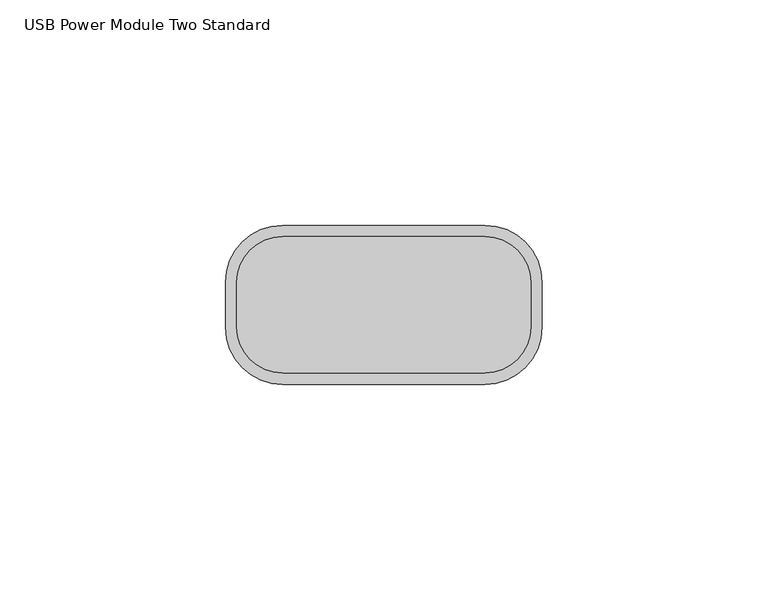
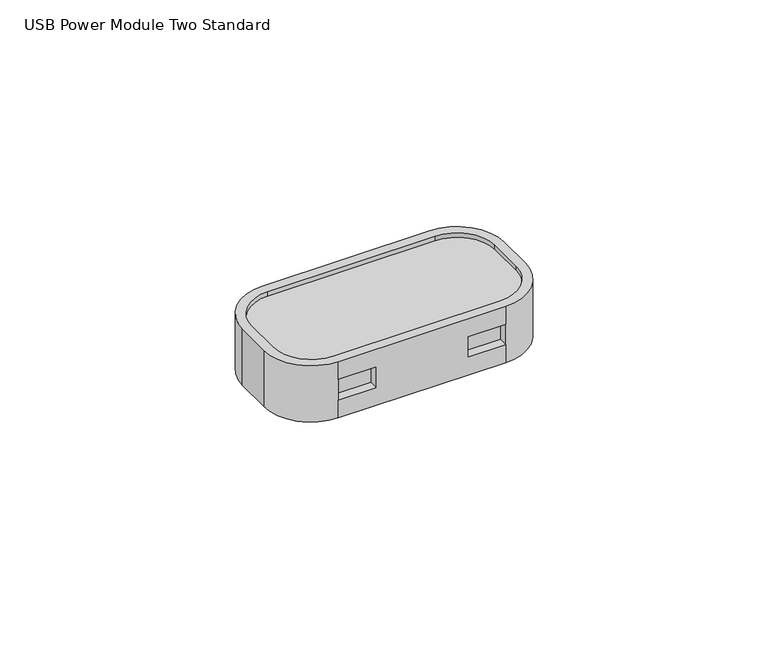
"""IFC4 building model written with IfcOpenShell, lengths in millimetres: furniture geometry, USB Power Module Two Standard."""

from ifc_helpers import new_model, si_unit, frame, origin, place, context, project, spatial, polyline, circle_curve, source, transform, mapped, element, save
from ifc_brep_helpers import plane_surface, cylinder_surface, revolved_surface, advanced_brep


def usb_power_module_two_standard_5229657c(model_context):
    return source(origin(), model_context, "Body", "AdvancedBrep", [
        advanced_brep(
        [(12.7, -35.2806, 752.602), (57.5818, -35.2806, 752.602), (70.2818, -22.5806, 752.602), (70.2818, -12.7, 752.602), (57.5818, 0.0, 752.602), (12.7, 0.0, 752.602), (0.0, -12.7, 752.602), (0.0, -22.5806, 752.602), (2.54, -22.5806, 752.602), (2.54, -12.7, 752.602), (12.7, -2.54, 752.602), (57.5818, -2.54, 752.602), (67.7418, -12.7, 752.602), (67.7418, -22.5806, 752.602), (57.5818, -32.7406, 752.602), (12.7, -32.7406, 752.602), (0.0, -22.5806, 736.6), (0.0, -12.7, 736.6), (12.7, 0.0, 736.6), (57.5818, 0.0, 736.6), (70.2818, -12.7, 736.6), (70.2818, -22.5806, 736.6), (57.5818, -35.2806, 736.6), (12.7, -35.2806, 736.6), (30.0609, 0.0, 744.601), (40.2209, 0.0, 744.601), (12.7, -35.2806, 747.522), (22.86, -35.2806, 747.522), (22.86, -35.2806, 741.68), (12.7, -35.2806, 741.68), (57.5818, -35.2806, 741.68), (47.4218, -35.2806, 741.68), (47.4218, -35.2806, 747.522), (57.5818, -35.2806, 747.522), (2.54, -12.7, 751.332), (2.54, -22.5806, 751.332), (12.7, -32.7406, 751.332), (57.5818, -32.7406, 751.332), (67.7418, -22.5806, 751.332), (67.7418, -12.7, 751.332), (57.5818, -2.54, 751.332), (12.7, -2.54, 751.332), (22.86, -32.7406, 747.522), (12.7, -32.7406, 747.522), (12.7, -32.7406, 741.68), (22.86, -32.7406, 741.68), (57.5818, -32.7406, 747.522), (47.4218, -32.7406, 747.522), (47.4218, -32.7406, 741.68), (57.5818, -32.7406, 741.68), (30.0609, -7.0608167, 744.601), (40.2209, -7.0608167, 744.601)],
        [
            (0, 1),
            (1, 2, circle_curve(frame((57.5818, -22.5806, 752.602), z_axis=(0.0, 0.0, 1.0), x_axis=(1.0, 0.0, 0.0)), 12.7)),
            (2, 3),
            (3, 4, circle_curve(frame((57.5818, -12.7, 752.602), z_axis=(0.0, 0.0, 1.0), x_axis=(1.0, 0.0, 0.0)), 12.7)),
            (4, 5),
            (5, 6, circle_curve(frame((12.7, -12.7, 752.602), z_axis=(0.0, 0.0, 1.0), x_axis=(1.0, 0.0, 0.0)), 12.7)),
            (6, 7),
            (7, 0, circle_curve(frame((12.7, -22.5806, 752.602), z_axis=(0.0, 0.0, 1.0), x_axis=(1.0, 0.0, 0.0)), 12.7)),
            (8, 9),
            (9, 10, circle_curve(frame((12.7, -12.7, 752.602), z_axis=(0.0, 0.0, -1.0), x_axis=(1.0, 0.0, 0.0)), 10.16)),
            (10, 11),
            (11, 12, circle_curve(frame((57.5818, -12.7, 752.602), z_axis=(0.0, 0.0, -1.0), x_axis=(1.0, 0.0, 0.0)), 10.16)),
            (12, 13),
            (13, 14, circle_curve(frame((57.5818, -22.5806, 752.602), z_axis=(0.0, 0.0, -1.0), x_axis=(1.0, 0.0, 0.0)), 10.16)),
            (14, 15),
            (15, 8, circle_curve(frame((12.7, -22.5806, 752.602), z_axis=(0.0, 0.0, -1.0), x_axis=(1.0, 0.0, 0.0)), 10.16)),
            (16, 17),
            (17, 18, circle_curve(frame((12.7, -12.7, 736.6), z_axis=(0.0, 0.0, -1.0), x_axis=(1.0, 0.0, 0.0)), 12.7)),
            (18, 19),
            (19, 20, circle_curve(frame((57.5818, -12.7, 736.6), z_axis=(0.0, 0.0, -1.0), x_axis=(1.0, 0.0, 0.0)), 12.7)),
            (20, 21),
            (21, 22, circle_curve(frame((57.5818, -22.5806, 736.6), z_axis=(0.0, 0.0, -1.0), x_axis=(1.0, 0.0, 0.0)), 12.7)),
            (22, 23),
            (23, 16, circle_curve(frame((12.7, -22.5806, 736.6), z_axis=(0.0, 0.0, -1.0), x_axis=(1.0, 0.0, 0.0)), 12.7)),
            (6, 17),
            (16, 7),
            (4, 19),
            (18, 5),
            (24, 25, circle_curve(frame((35.1409, 0.0, 744.601), z_axis=(0.0, -1.0, 0.0), x_axis=(1.0, 0.0, 0.0)), 5.08)),
            (25, 24, circle_curve(frame((35.1409, 0.0, 744.601), z_axis=(0.0, -1.0, 0.0), x_axis=(1.0, 0.0, 0.0)), 5.08)),
            (2, 21),
            (20, 3),
            (0, 26),
            (26, 27),
            (27, 28),
            (28, 29),
            (29, 23),
            (22, 30),
            (30, 31),
            (31, 32),
            (32, 33),
            (33, 1),
            (33, 30),
            (29, 26),
            (34, 35),
            (35, 36, circle_curve(frame((12.7, -22.5806, 751.332), z_axis=(0.0, 0.0, 1.0), x_axis=(1.0, 0.0, 0.0)), 10.16)),
            (36, 37),
            (37, 38, circle_curve(frame((57.5818, -22.5806, 751.332), z_axis=(0.0, 0.0, 1.0), x_axis=(1.0, 0.0, 0.0)), 10.16)),
            (38, 39),
            (39, 40, circle_curve(frame((57.5818, -12.7, 751.332), z_axis=(0.0, 0.0, 1.0), x_axis=(1.0, 0.0, 0.0)), 10.16)),
            (40, 41),
            (41, 34, circle_curve(frame((12.7, -12.7, 751.332), z_axis=(0.0, 0.0, 1.0), x_axis=(1.0, 0.0, 0.0)), 10.16)),
            (34, 9),
            (8, 35),
            (15, 36),
            (14, 37),
            (13, 38),
            (12, 39),
            (11, 40),
            (10, 41),
            (42, 43),
            (43, 44),
            (44, 45),
            (45, 42),
            (46, 47),
            (47, 48),
            (48, 49),
            (49, 46),
            (42, 27),
            (26, 43),
            (29, 44),
            (28, 45),
            (46, 33),
            (32, 47),
            (31, 48),
            (30, 49),
            (50, 51, circle_curve(frame((35.1409, -7.0608167, 744.601), z_axis=(0.0, 1.0, 0.0), x_axis=(1.0, 0.0, 0.0)), 5.08)),
            (51, 50, circle_curve(frame((35.1409, -7.0608167, 744.601), z_axis=(0.0, 1.0, 0.0), x_axis=(1.0, 0.0, 0.0)), 5.08)),
            (51, 25),
            (24, 50),
        ],
        [
            plane_surface(frame((0.0, -35.2806, 752.602), z_axis=(0.0, 0.0, 1.0), x_axis=(1.0, 1.117405168512356e-12, 0.0))),
            plane_surface(frame((0.0, -35.2806, 736.6), z_axis=(0.0, 0.0, -1.0), x_axis=(-1.0, -1.117405168512356e-12, 0.0))),
            plane_surface(frame((0.0, 0.0, 752.602), z_axis=(-1.0, -1.1174166942753106e-12, 0.0), x_axis=(0.0, 0.0, -1.0))),
            plane_surface(frame((70.2818, 0.0, 752.602), z_axis=(-1.1173750757306984e-12, 1.0, 0.0), x_axis=(0.0, 0.0, -1.0))),
            plane_surface(frame((70.2818, -35.2806, 752.602), z_axis=(1.0, 1.1174166942753106e-12, 0.0), x_axis=(0.0, 0.0, -1.0))),
            plane_surface(frame((0.0, -35.2806, 752.602), z_axis=(1.117405168512356e-12, -1.0, 0.0), x_axis=(0.0, 0.0, -1.0))),
            cylinder_surface(frame((57.5818, -12.7, 736.6), z_axis=(0.0, 0.0, -1.0), x_axis=(1.0, 0.0, 0.0)), 12.7),
            cylinder_surface(frame((57.5818, -22.5806, 736.6), z_axis=(0.0, 0.0, -1.0), x_axis=(1.0, 0.0, 0.0)), 12.7),
            cylinder_surface(frame((12.7, -22.5806, 736.6), z_axis=(0.0, 0.0, -1.0), x_axis=(1.0, 0.0, 0.0)), 12.7),
            cylinder_surface(frame((12.7, -12.7, 736.6), z_axis=(0.0, 0.0, -1.0), x_axis=(1.0, 0.0, 0.0)), 12.7),
            plane_surface(frame((2.54, -12.7, 751.332), z_axis=(0.0, 0.0, 1.0), x_axis=(-4.844453886124737e-12, 1.0, 0.0))),
            plane_surface(frame((2.54, -12.7, 752.602), z_axis=(1.0, 4.844453886124737e-12, 0.0), x_axis=(0.0, 0.0, -1.0))),
            revolved_surface(polyline([(22.86, -22.5806, 752.602), (22.86, -22.5806, 751.332)]), (12.7, -22.5806, 751.332), (0.0, 0.0, 1.0)),
            plane_surface(frame((12.7, -32.7406, 752.602), z_axis=(2.565670747069624e-12, 1.0, 0.0), x_axis=(0.0, 0.0, -1.0))),
            revolved_surface(polyline([(67.7418, -22.5806, 752.602), (67.7418, -22.5806, 751.332)]), (57.5818, -22.5806, 751.332), (0.0, 0.0, 1.0)),
            plane_surface(frame((67.7418, -22.5806, 752.602), z_axis=(-1.0, 1.8556364667612097e-10, 0.0), x_axis=(0.0, 0.0, -1.0))),
            revolved_surface(polyline([(67.7418, -12.7, 752.602), (67.7418, -12.7, 751.332)]), (57.5818, -12.7, 751.332), (0.0, 0.0, 1.0)),
            plane_surface(frame((57.5818, -2.54, 752.602), z_axis=(-7.134078274587319e-12, -1.0, 0.0), x_axis=(0.0, 0.0, -1.0))),
            revolved_surface(polyline([(22.86, -12.7, 752.602), (22.86, -12.7, 751.332)]), (12.7, -12.7, 751.332), (0.0, 0.0, 1.0)),
            plane_surface(frame((12.7, -32.7406, 747.522), z_axis=(0.0, -1.0, 0.0), x_axis=(1.0, 0.0, 0.0))),
            plane_surface(frame((22.86, -35.2806, 747.522), z_axis=(0.0, 0.0, -1.0), x_axis=(0.0, 1.0, 0.0))),
            plane_surface(frame((12.7, -35.2806, 747.522), z_axis=(1.0, 0.0, 0.0), x_axis=(0.0, 1.0, 0.0))),
            plane_surface(frame((12.7, -35.2806, 741.68), z_axis=(0.0, 0.0, 1.0), x_axis=(0.0, 1.0, 0.0))),
            plane_surface(frame((22.86, -35.2806, 741.68), z_axis=(-1.0, 0.0, 0.0), x_axis=(0.0, 1.0, 0.0))),
            plane_surface(frame((57.5818, -35.2806, 747.522), z_axis=(0.0, 0.0, -1.0), x_axis=(0.0, 1.0, 0.0))),
            plane_surface(frame((47.4218, -35.2806, 747.522), z_axis=(1.0, 0.0, 0.0), x_axis=(0.0, 1.0, 0.0))),
            plane_surface(frame((47.4218, -35.2806, 741.68), z_axis=(0.0, 0.0, 1.0), x_axis=(0.0, 1.0, 0.0))),
            plane_surface(frame((57.5818, -35.2806, 741.68), z_axis=(-1.0, 0.0, 0.0), x_axis=(0.0, 1.0, 0.0))),
            plane_surface(frame((40.2209, -7.0608167, 744.601), z_axis=(0.0, 1.0, 0.0), x_axis=(0.0, 0.0, 1.0))),
            revolved_surface(polyline([(40.2209, -7.0608167, 744.601), (40.2209, 0.0, 744.601)]), (35.1409, 0.0, 744.601), (0.0, -1.0, 0.0)),
        ],
        [
            (0, [[1, 2, 3, 4, 5, 6, 7, 8], [9, 10, 11, 12, 13, 14, 15, 16]]),
            (1, [[17, 18, 19, 20, 21, 22, 23, 24]]),
            (2, [[-7, 25, -17, 26]]),
            (3, [[-5, 27, -19, 28], [29, 30]]),
            (4, [[-3, 31, -21, 32]]),
            (5, [[-1, 33, 34, 35, 36, 37, -23, 38, 39, 40, 41, 42]]),
            (6, [[-4, -32, -20, -27]]),
            (7, [[-2, -42, 43, -38, -22, -31]]),
            (8, [[-8, -26, -24, -37, 44, -33]]),
            (9, [[-6, -28, -18, -25]]),
            (10, [[45, 46, 47, 48, 49, 50, 51, 52]]),
            (11, [[-45, 53, -9, 54]]),
            (12, [[-46, -54, -16, 55]]),
            (13, [[-47, -55, -15, 56]]),
            (14, [[-48, -56, -14, 57]]),
            (15, [[-49, -57, -13, 58]]),
            (16, [[-50, -58, -12, 59]]),
            (17, [[-51, -59, -11, 60]]),
            (18, [[-52, -60, -10, -53]]),
            (19, [[61, 62, 63, 64]]),
            (19, [[65, 66, 67, 68]]),
            (20, [[-61, 69, -34, 70]]),
            (21, [[-62, -70, -44, 71]]),
            (22, [[-63, -71, -36, 72]]),
            (23, [[-64, -72, -35, -69]]),
            (24, [[-65, 73, -41, 74]]),
            (25, [[-66, -74, -40, 75]]),
            (26, [[-67, -75, -39, 76]]),
            (27, [[-68, -76, -43, -73]]),
            (28, [[77, 78]]),
            (29, [[-78, 79, -29, 80]]),
            (29, [[-77, -80, -30, -79]]),
        ],
    ),
    ])


if __name__ == "__main__":
    model = new_model("IFC4")
    model_context = context("Model", 3, world=origin())
    ifc_project = project(units=[si_unit("LENGTHUNIT", "METRE", prefix="MILLI")], contexts=[model_context])
    site = spatial("IfcSite", under=ifc_project)
    building = spatial("IfcBuilding", under=site)
    placement = place(None, origin())
    usb_power_module_two_standard_shape = usb_power_module_two_standard_5229657c(model_context)
    element("IfcFurniture", 1, ObjectType="USB Power Module Two Standard", at=placement, inside=building, context=model_context, shape_type="MappedRepresentation", body=[
        mapped(usb_power_module_two_standard_shape, transform((0.0, 0.0, 0.0), x_axis=(1.0, 0.0, 0.0), y_axis=(0.0, 1.0, 0.0), z_axis=(0.0, 0.0, 1.0))),
    ])
    save(model, "model.ifc")
